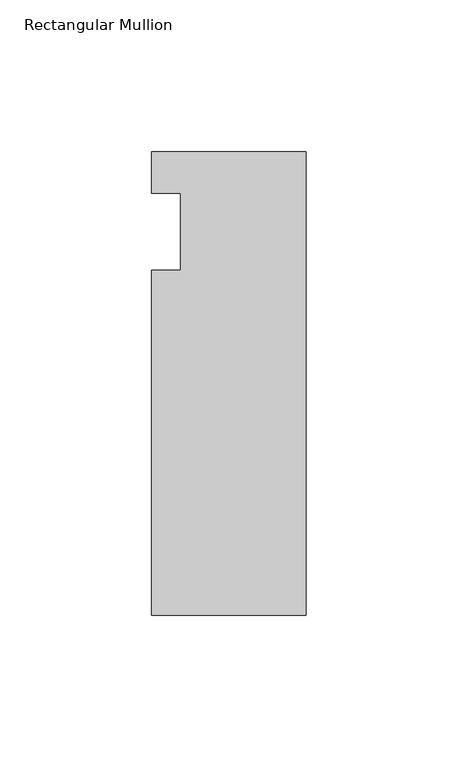
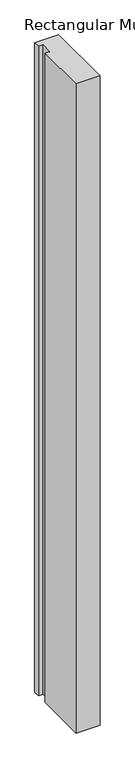
"""IFC4 building model written with IfcOpenShell, lengths in millimetres: member geometry, Rectangular Mullion."""

from ifc_helpers import new_model, si_unit, frame, origin, place, context, project, spatial, polyline, outline, extrude, source, transform, mapped, element, save


def rectangular_mullion_9741368d(model_context):
    return source(origin(), model_context, "Body", "SweptSolid", [
        extrude(outline(polyline([(-50.8, 26.19375), (0.0, 26.19375), (0.0, -126.20625), (-50.8, -126.20625), (-50.8, -12.7), (-41.275, -12.7), (-41.275, 12.7), (-50.8, 12.7), (-50.8, 26.19375)])), frame((0.0, 0.0, -1460.5), z_axis=(0.0, 0.0, 1.0), x_axis=(1.0, 0.0, 0.0)), (0.0, 0.0, 1.0), 1460.5),
    ])


if __name__ == "__main__":
    model = new_model("IFC4")
    model_context = context("Model", 3, world=origin())
    ifc_project = project(units=[si_unit("LENGTHUNIT", "METRE", prefix="MILLI")], contexts=[model_context])
    site = spatial("IfcSite", under=ifc_project)
    building = spatial("IfcBuilding", under=site)
    placement = place(None, origin())
    rectangular_mullion_shape = rectangular_mullion_9741368d(model_context)
    element("IfcMember", 1, ObjectType="Rectangular Mullion", at=placement, inside=building, context=model_context, shape_type="MappedRepresentation", body=[
        mapped(rectangular_mullion_shape, transform((0.0, 0.0, 0.0), x_axis=(1.0, 0.0, 0.0), y_axis=(0.0, 1.0, 0.0), z_axis=(0.0, 0.0, 1.0))),
    ])
    save(model, "model.ifc")
